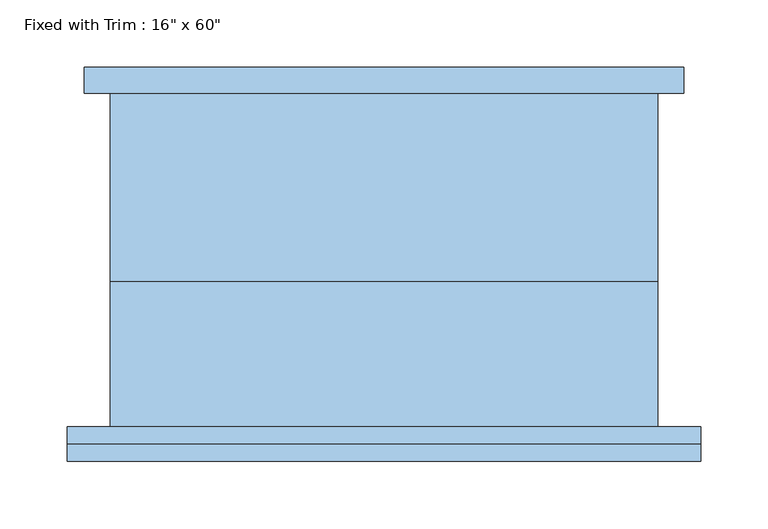
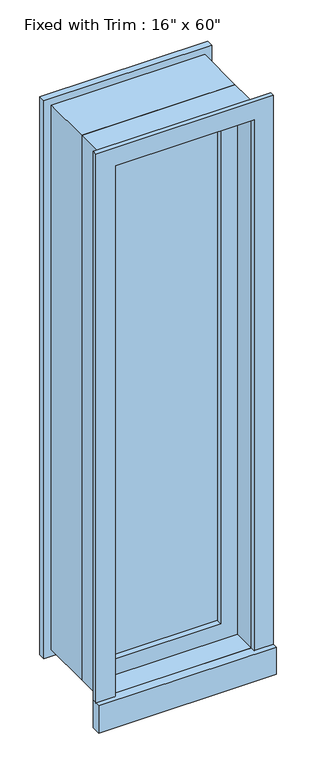
"""IFC4 building model written with IfcOpenShell, lengths in millimetres: window geometry."""

from ifc_helpers import new_model, si_unit, frame, origin, place, context, project, spatial, polyline, outline, extrude, source, transform, mapped, element, save


def window_ed223c4c(model_context):
    return source(origin(), model_context, "Body", "SweptSolid", [
        extrude(outline(polyline([(-273.05, -149.225), (-273.05, -123.825), (196.85, -123.825), (196.85, -149.225), (-273.05, -149.225)])), frame((0.0, 0.0, 552.45), z_axis=(0.0, 0.0, 1.0), x_axis=(1.0, 0.0, 0.0)), (0.0, 0.0, 1.0), 76.2),
        extrude(outline(polyline([(2114.55, -222.25), (2114.55, 146.05), (628.65, 146.05), (628.65, 196.85), (2165.35, 196.85), (2165.35, -273.05), (628.65, -273.05), (628.65, -222.25), (2114.55, -222.25)])), frame((0.0, -136.525, 0.0), z_axis=(0.0, 1.0, 0.0), x_axis=(0.0, 0.0, 1.0)), (0.0, 0.0, 1.0), 12.7),
        extrude(outline(polyline([(2152.65, 184.15), (2152.65, -260.35), (590.55, -260.35), (590.55, 184.15), (2152.65, 184.15)]), holes=[polyline([(2101.85, 133.35), (641.35, 133.35), (641.35, -209.55), (2101.85, -209.55), (2101.85, 133.35)])]), frame((0.0, 123.825, 0.0), z_axis=(0.0, 1.0, 0.0), x_axis=(0.0, 0.0, 1.0)), (0.0, 0.0, 1.0), 19.05),
        extrude(outline(polyline([(101.6, -31.75), (101.6, -44.45), (-177.8, -44.45), (-177.8, -31.75), (101.6, -31.75)])), frame((0.0, 0.0, 673.1), z_axis=(0.0, 0.0, 1.0), x_axis=(1.0, 0.0, 0.0)), (0.0, 0.0, 1.0), 1397.0),
        extrude(outline(polyline([(2114.55, -222.25), (628.65, -222.25), (628.65, 146.05), (2114.55, 146.05), (2114.55, -222.25)]), holes=[polyline([(2070.1, -177.8), (2070.1, 101.6), (673.1, 101.6), (673.1, -177.8), (2070.1, -177.8)])]), frame((0.0, -60.325, 0.0), z_axis=(0.0, 1.0, 0.0), x_axis=(0.0, 0.0, 1.0)), (0.0, 0.0, 1.0), 44.45),
        extrude(outline(polyline([(2133.6, -241.3), (609.6, -241.3), (609.6, 165.1), (2133.6, 165.1), (2133.6, -241.3)]), holes=[polyline([(2101.85, -209.55), (2101.85, 133.35), (641.35, 133.35), (641.35, -209.55), (2101.85, -209.55)])]), frame((0.0, -15.875, 0.0), z_axis=(0.0, 1.0, 0.0), x_axis=(0.0, 0.0, 1.0)), (0.0, 0.0, 1.0), 139.7),
        extrude(outline(polyline([(2133.6, 165.1), (2133.6, -241.3), (609.6, -241.3), (609.6, 165.1), (2133.6, 165.1)]), holes=[polyline([(2114.55, 146.05), (628.65, 146.05), (628.65, -222.25), (2114.55, -222.25), (2114.55, 146.05)])]), frame((0.0, -123.825, 0.0), z_axis=(0.0, 1.0, 0.0), x_axis=(0.0, 0.0, 1.0)), (0.0, 0.0, 1.0), 107.95),
    ])


if __name__ == "__main__":
    model = new_model("IFC4")
    model_context = context("Model", 3, world=origin())
    ifc_project = project(units=[si_unit("LENGTHUNIT", "METRE", prefix="MILLI")], contexts=[model_context])
    site = spatial("IfcSite", under=ifc_project)
    building = spatial("IfcBuilding", under=site)
    placement = place(None, origin())
    window_shape = window_ed223c4c(model_context)
    element("IfcWindow", 1, ObjectType="Fixed with Trim : 16\" x 60\"", at=placement, inside=building, context=model_context, shape_type="MappedRepresentation", body=[
        mapped(window_shape, transform((0.0, 0.0, 0.0), x_axis=(1.0, 0.0, 0.0), y_axis=(0.0, 1.0, 0.0), z_axis=(0.0, 0.0, 1.0))),
    ])
    save(model, "model.ifc")
